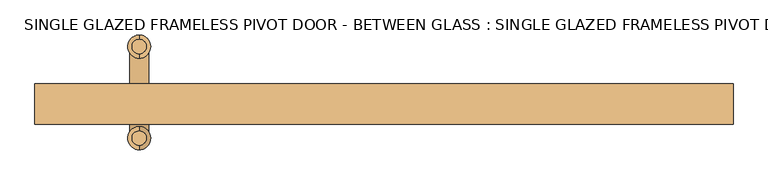
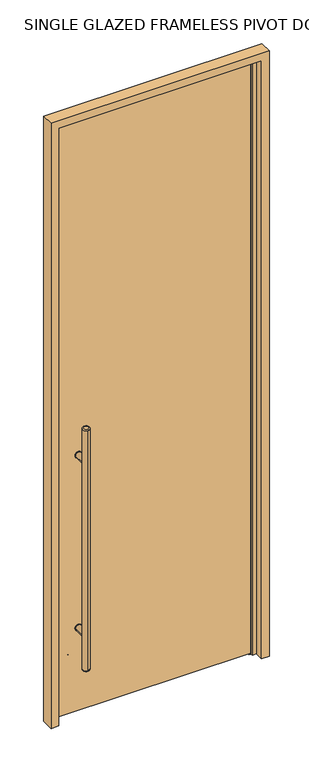
"""IFC4 building model written with IfcOpenShell, lengths in millimetres: door geometry, SINGLE GLAZED FRAMELESS PIVOT DOOR - BETWEEN GLASS : SINGLE GLAZED FRAMELESS PIVOT DOOR - BETWEEN GLASS."""

from ifc_helpers import new_model, si_unit, point, frame, frame_2d, origin, place, context, project, spatial, polyline, circle_curve, ellipse_curve, trimmed, segment, composite_curve, outline, extrude, faceted_brep, source, transform, mapped, element, save
from ifc_brep_helpers import plane_surface, cylinder_surface, revolved_surface, advanced_brep


def single_glazed_frameless_pivot_door_between_glass_single_1820829b(model_context):
    return source(origin(), model_context, "Body", "SolidModel", [
        extrude(outline(composite_curve([segment(trimmed(circle_curve(frame_2d((428.625, -365.125)), 15.875), [point((428.625, -381.0))], [point((428.625, -349.25))], False, "CARTESIAN"), True, "CONTINUOUS"), segment(trimmed(circle_curve(frame_2d((428.625, -365.125)), 15.875), [point((428.625, -349.25))], [point((428.625, -381.0))], False, "CARTESIAN"), True, "CONTINUOUS")], self_intersect=False)), frame((0.0, 0.0, 0.0), z_axis=(0.0, 1.0, 0.0), x_axis=(0.0, 0.0, 1.0)), (0.0, 0.0, 1.0), 3.175),
        extrude(outline(composite_curve([segment(trimmed(circle_curve(frame_2d((1298.575, -365.125)), 15.875), [point((1298.575, -349.25))], [point((1298.575, -381.0))], False, "CARTESIAN"), True, "CONTINUOUS"), segment(trimmed(circle_curve(frame_2d((1298.575, -365.125)), 15.875), [point((1298.575, -381.0))], [point((1298.575, -349.25))], False, "CARTESIAN"), True, "CONTINUOUS")], self_intersect=False)), frame((0.0, 0.0, 0.0), z_axis=(0.0, 1.0, 0.0), x_axis=(0.0, 0.0, 1.0)), (0.0, 0.0, 1.0), 3.175),
        extrude(outline(composite_curve([segment(trimmed(circle_curve(frame_2d((428.625, -365.125)), 15.875), [point((428.625, -381.0))], [point((428.625, -349.25))], False, "CARTESIAN"), True, "CONTINUOUS"), segment(trimmed(circle_curve(frame_2d((428.625, -365.125)), 15.875), [point((428.625, -349.25))], [point((428.625, -381.0))], False, "CARTESIAN"), True, "CONTINUOUS")], self_intersect=False)), frame((0.0, -9.525, 0.0), z_axis=(0.0, 1.0, 0.0), x_axis=(0.0, 0.0, 1.0)), (0.0, 0.0, 1.0), 3.175),
        extrude(outline(composite_curve([segment(trimmed(circle_curve(frame_2d((1298.575, -365.125)), 15.875), [point((1298.575, -381.0))], [point((1298.575, -349.25))], False, "CARTESIAN"), True, "CONTINUOUS"), segment(trimmed(circle_curve(frame_2d((1298.575, -365.125)), 15.875), [point((1298.575, -349.25))], [point((1298.575, -381.0))], False, "CARTESIAN"), True, "CONTINUOUS")], self_intersect=False)), frame((0.0, -9.525, 0.0), z_axis=(0.0, 1.0, 0.0), x_axis=(0.0, 0.0, 1.0)), (0.0, 0.0, 1.0), 3.175),
        extrude(outline(composite_curve([segment(trimmed(circle_curve(frame_2d((428.625, -365.125)), 14.2875), [point((428.625, -350.8375))], [point((428.625, -379.4125))], False, "CARTESIAN"), True, "CONTINUOUS"), segment(trimmed(circle_curve(frame_2d((428.625, -365.125)), 14.2875), [point((428.625, -379.4125))], [point((428.625, -350.8375))], False, "CARTESIAN"), True, "CONTINUOUS")], self_intersect=False)), frame((0.0, -71.4375, 0.0), z_axis=(0.0, 1.0, 0.0), x_axis=(0.0, 0.0, 1.0)), (0.0, 0.0, 1.0), 65.0875),
        extrude(outline(composite_curve([segment(trimmed(circle_curve(frame_2d((1298.575, -365.125)), 14.2875), [point((1298.575, -350.8375))], [point((1298.575, -379.4125))], False, "CARTESIAN"), True, "CONTINUOUS"), segment(trimmed(circle_curve(frame_2d((1298.575, -365.125)), 14.2875), [point((1298.575, -379.4125))], [point((1298.575, -350.8375))], False, "CARTESIAN"), True, "CONTINUOUS")], self_intersect=False)), frame((0.0, -71.4375, 0.0), z_axis=(0.0, 1.0, 0.0), x_axis=(0.0, 0.0, 1.0)), (0.0, 0.0, 1.0), 65.0875),
        advanced_brep(
        [(-365.125, 54.2925, 1473.2), (-365.125, 75.8825, 1473.2), (-365.125, 75.8825, 254.0), (-365.125, 54.2925, 254.0), (-365.125, 82.2325, 260.35), (-365.125, 82.2325, 1466.85), (-365.125, 47.9425, 1466.85), (-365.125, 47.9425, 260.35)],
        [
            (0, 1, circle_curve(frame((-365.125, 65.0875, 1473.2), z_axis=(0.0, 0.0, 1.0), x_axis=(0.0, -1.0, 0.0)), 10.795)),
            (1, 0, circle_curve(frame((-365.125, 65.0875, 1473.2), z_axis=(0.0, 0.0, 1.0), x_axis=(0.0, -1.0, 0.0)), 10.795)),
            (2, 3, circle_curve(frame((-365.125, 65.0875, 254.0), z_axis=(0.0, 0.0, -1.0), x_axis=(0.0, -1.0, 0.0)), 10.795)),
            (3, 2, circle_curve(frame((-365.125, 65.0875, 254.0), z_axis=(0.0, 0.0, -1.0), x_axis=(0.0, -1.0, 0.0)), 10.795)),
            (4, 5),
            (5, 6, circle_curve(frame((-365.125, 65.0875, 1466.85), z_axis=(0.0, 0.0, -1.0), x_axis=(0.0, -1.0, 0.0)), 17.145)),
            (6, 7),
            (7, 4, circle_curve(frame((-365.125, 65.0875, 260.35), z_axis=(0.0, 0.0, 1.0), x_axis=(0.0, -1.0, 0.0)), 17.145)),
            (6, 5, circle_curve(frame((-365.125, 65.0875, 1466.85), z_axis=(0.0, 0.0, -1.0), x_axis=(0.0, -1.0, 0.0)), 17.145)),
            (4, 7, circle_curve(frame((-365.125, 65.0875, 260.35), z_axis=(0.0, 0.0, 1.0), x_axis=(0.0, -1.0, 0.0)), 17.145)),
            (3, 7, circle_curve(frame((-365.125, 54.2925, 260.35), z_axis=(-1.0, 0.0, 0.0), x_axis=(0.0, -1.0, 0.0)), 6.35)),
            (4, 2, circle_curve(frame((-365.125, 75.8825, 260.35), z_axis=(-1.0, 0.0, 0.0), x_axis=(0.0, 1.0, 0.0)), 6.35)),
            (6, 0, circle_curve(frame((-365.125, 54.2925, 1466.85), z_axis=(-1.0, 0.0, 0.0), x_axis=(0.0, -1.0, 0.0)), 6.35)),
            (1, 5, circle_curve(frame((-365.125, 75.8825, 1466.85), z_axis=(-1.0, 0.0, 0.0), x_axis=(0.0, 1.0, 0.0)), 6.35)),
        ],
        [
            plane_surface(frame((-365.125, -88.5825, 1473.2), z_axis=(0.0, 0.0, 1.0), x_axis=(-1.0, 0.0, 0.0))),
            plane_surface(frame((-365.125, -88.5825, 254.0), z_axis=(0.0, 0.0, -1.0), x_axis=(1.0, 0.0, 0.0))),
            cylinder_surface(frame((-365.125, 65.0875, 254.0), z_axis=(0.0, 0.0, 1.0), x_axis=(0.0, -1.0, 0.0)), 17.145),
            revolved_surface(trimmed(ellipse_curve(frame((-365.125, 54.2925, 260.35), z_axis=(-1.0, 0.0, 0.0), x_axis=(0.0, -1.0, 0.0)), 6.35, 6.35), [point((-365.125, 54.2925, 254.0))], [point((-365.125, 47.9425, 260.35))], True, "CARTESIAN"), (-365.125, 65.0875, 2082.8), (0.0, 0.0, 1.0)),
            revolved_surface(trimmed(ellipse_curve(frame((-365.125, 54.2925, 1466.85), z_axis=(-1.0, 0.0, 0.0), x_axis=(0.0, -1.0, 0.0)), 6.35, 6.35), [point((-365.125, 47.9425, 1466.85))], [point((-365.125, 54.2925, 1473.2))], True, "CARTESIAN"), (-365.125, 65.0875, -355.6), (0.0, 0.0, 1.0)),
        ],
        [
            (0, [[1, 2]]),
            (1, [[3, 4]]),
            (2, [[5, 6, 7, 8]]),
            (2, [[-7, 9, -5, 10]]),
            (3, [[-4, 11, -10, 12]]),
            (3, [[-8, -11, -3, -12]]),
            (4, [[-9, 13, -2, 14]]),
            (4, [[-1, -13, -6, -14]]),
        ],
    ),
        advanced_brep(
        [(-365.125, -82.2325, 1473.2), (-365.125, -60.6425, 1473.2), (-365.125, -60.6425, 254.0), (-365.125, -82.2325, 254.0), (-365.125, -54.2925, 260.35), (-365.125, -54.2925, 1466.85), (-365.125, -88.5825, 1466.85), (-365.125, -88.5825, 260.35)],
        [
            (0, 1, circle_curve(frame((-365.125, -71.4375, 1473.2), z_axis=(0.0, 0.0, 1.0), x_axis=(0.0, 1.0, 0.0)), 10.795)),
            (1, 0, circle_curve(frame((-365.125, -71.4375, 1473.2), z_axis=(0.0, 0.0, 1.0), x_axis=(0.0, 1.0, 0.0)), 10.795)),
            (2, 3, circle_curve(frame((-365.125, -71.4375, 254.0), z_axis=(0.0, 0.0, -1.0), x_axis=(0.0, 1.0, 0.0)), 10.795)),
            (3, 2, circle_curve(frame((-365.125, -71.4375, 254.0), z_axis=(0.0, 0.0, -1.0), x_axis=(0.0, 1.0, 0.0)), 10.795)),
            (4, 5),
            (5, 6, circle_curve(frame((-365.125, -71.4375, 1466.85), z_axis=(0.0, 0.0, -1.0), x_axis=(0.0, -1.0, 0.0)), 17.145)),
            (6, 7),
            (7, 4, circle_curve(frame((-365.125, -71.4375, 260.35), z_axis=(0.0, 0.0, 1.0), x_axis=(0.0, -1.0, 0.0)), 17.145)),
            (6, 5, circle_curve(frame((-365.125, -71.4375, 1466.85), z_axis=(0.0, 0.0, -1.0), x_axis=(0.0, -1.0, 0.0)), 17.145)),
            (4, 7, circle_curve(frame((-365.125, -71.4375, 260.35), z_axis=(0.0, 0.0, 1.0), x_axis=(0.0, -1.0, 0.0)), 17.145)),
            (4, 2, circle_curve(frame((-365.125, -60.6425, 260.35), z_axis=(-1.0, 0.0, 0.0), x_axis=(0.0, 1.0, 0.0)), 6.35)),
            (3, 7, circle_curve(frame((-365.125, -82.2325, 260.35), z_axis=(-1.0, 0.0, 0.0), x_axis=(0.0, -1.0, 0.0)), 6.35)),
            (1, 5, circle_curve(frame((-365.125, -60.6425, 1466.85), z_axis=(-1.0, 0.0, 0.0), x_axis=(0.0, 1.0, 0.0)), 6.35)),
            (6, 0, circle_curve(frame((-365.125, -82.2325, 1466.85), z_axis=(-1.0, 0.0, 0.0), x_axis=(0.0, -1.0, 0.0)), 6.35)),
        ],
        [
            plane_surface(frame((-365.125, -88.5825, 1473.2), z_axis=(0.0, 0.0, 1.0), x_axis=(-1.0, 0.0, 0.0))),
            plane_surface(frame((-365.125, -88.5825, 254.0), z_axis=(0.0, 0.0, -1.0), x_axis=(1.0, 0.0, 0.0))),
            cylinder_surface(frame((-365.125, -71.4375, 254.0), z_axis=(0.0, 0.0, 1.0), x_axis=(0.0, -1.0, 0.0)), 17.145),
            revolved_surface(trimmed(ellipse_curve(frame((-365.125, -60.6425, 260.35), z_axis=(-1.0, 0.0, 0.0), x_axis=(0.0, 1.0, 0.0)), 6.35, 6.35), [point((-365.125, -54.2925, 260.35))], [point((-365.125, -60.6425, 254.0))], True, "CARTESIAN"), (-365.125, -71.4375, 2082.8), (0.0, 0.0, -1.0)),
            revolved_surface(trimmed(ellipse_curve(frame((-365.125, -60.6425, 1466.85), z_axis=(-1.0, 0.0, 0.0), x_axis=(0.0, 1.0, 0.0)), 6.35, 6.35), [point((-365.125, -60.6425, 1473.2))], [point((-365.125, -54.2925, 1466.85))], True, "CARTESIAN"), (-365.125, -71.4375, -355.6), (0.0, 0.0, -1.0)),
        ],
        [
            (0, [[1, 2]]),
            (1, [[3, 4]]),
            (2, [[5, 6, 7, 8]]),
            (2, [[-7, 9, -5, 10]]),
            (3, [[-10, 11, -4, 12]]),
            (3, [[-3, -11, -8, -12]]),
            (4, [[-2, 13, -9, 14]]),
            (4, [[-6, -13, -1, -14]]),
        ],
    ),
        extrude(outline(composite_curve([segment(trimmed(circle_curve(frame_2d((428.625, -365.125)), 14.2875), [point((428.625, -350.8375))], [point((428.625, -379.4125))], False, "CARTESIAN"), True, "CONTINUOUS"), segment(trimmed(circle_curve(frame_2d((428.625, -365.125)), 14.2875), [point((428.625, -379.4125))], [point((428.625, -350.8375))], False, "CARTESIAN"), True, "CONTINUOUS")], self_intersect=False)), frame((0.0, 0.0, 0.0), z_axis=(0.0, 1.0, 0.0), x_axis=(0.0, 0.0, 1.0)), (0.0, 0.0, 1.0), 65.0875),
        extrude(outline(composite_curve([segment(trimmed(circle_curve(frame_2d((1298.575, -365.125)), 14.2875), [point((1298.575, -350.8375))], [point((1298.575, -379.4125))], False, "CARTESIAN"), True, "CONTINUOUS"), segment(trimmed(circle_curve(frame_2d((1298.575, -365.125)), 14.2875), [point((1298.575, -379.4125))], [point((1298.575, -350.8375))], False, "CARTESIAN"), True, "CONTINUOUS")], self_intersect=False)), frame((0.0, 0.0, 0.0), z_axis=(0.0, 1.0, 0.0), x_axis=(0.0, 0.0, 1.0)), (0.0, 0.0, 1.0), 65.0875),
        extrude(outline(polyline([(457.2, 0.0), (457.2, -6.35), (-457.2, -6.35), (-457.2, 0.0), (457.2, 0.0)])), frame((0.0, 0.0, 9.525), z_axis=(0.0, 0.0, 1.0), x_axis=(1.0, 0.0, 0.0)), (0.0, 0.0, 1.0), 2974.975),
        faceted_brep([(520.7, 9.525, 0.0), (520.7, -50.8, 0.0), (483.497187, -50.8, 0.0), (483.497187, -9.525, 0.0), (462.9999983, -9.525, 0.0), (462.9999983, 0.0, 0.0), (454.025, 0.0, 0.0), (454.025, 9.525, 0.0), (454.025, 9.525, 2981.325), (-454.025, 9.525, 2981.325), (-454.025, 9.525, 0.0), (-520.7, 9.525, 0.0), (-520.7, 9.525, 3048.0), (520.7, 9.525, 3048.0), (454.025, 0.0, 2981.325), (462.9999983, 0.0, 2990.2999983), (-462.9999983, 0.0, 2990.2999983), (-462.9999983, 0.0, 0.0), (-454.025, 0.0, 0.0), (-454.025, 0.0, 2981.325), (462.9999983, -9.525, 2990.2999983), (483.497187, -9.525, 3010.797187), (-483.497187, -9.525, 3010.797187), (-483.497187, -9.525, 0.0), (-462.9999983, -9.525, 0.0), (-462.9999983, -9.525, 2990.2999983), (483.497187, -50.8, 3010.797187), (520.7, -50.8, 3048.0), (-520.7, -50.8, 3048.0), (-520.7, -50.8, 0.0), (-483.497187, -50.8, 0.0), (-483.497187, -50.8, 3010.797187)], [[[0, 1, 2, 3, 4, 5, 6, 7]], [[7, 8, 9, 10, 11, 12, 13, 0]], [[6, 14, 8, 7]], [[5, 15, 16, 17, 18, 19, 14, 6]], [[4, 20, 15, 5]], [[3, 21, 22, 23, 24, 25, 20, 4]], [[2, 26, 21, 3]], [[1, 27, 28, 29, 30, 31, 26, 2]], [[0, 13, 27, 1]], [[11, 10, 18, 17, 24, 23, 30, 29]], [[12, 11, 29, 28]], [[31, 30, 23, 22]], [[25, 24, 17, 16]], [[19, 18, 10, 9]], [[14, 19, 9, 8]], [[20, 25, 16, 15]], [[26, 31, 22, 21]], [[13, 12, 28, 27]]]),
    ])


if __name__ == "__main__":
    model = new_model("IFC4")
    model_context = context("Model", 3, world=origin())
    ifc_project = project(units=[si_unit("LENGTHUNIT", "METRE", prefix="MILLI")], contexts=[model_context])
    site = spatial("IfcSite", under=ifc_project)
    building = spatial("IfcBuilding", under=site)
    placement = place(None, origin())
    single_glazed_frameless_pivot_door_between_glass_single_shape = single_glazed_frameless_pivot_door_between_glass_single_1820829b(model_context)
    element("IfcDoor", 1, ObjectType="SINGLE GLAZED FRAMELESS PIVOT DOOR - BETWEEN GLASS : SINGLE GLAZED FRAMELESS PIVOT DOOR - BETWEEN GLASS", at=placement, inside=building, context=model_context, shape_type="MappedRepresentation", body=[
        mapped(single_glazed_frameless_pivot_door_between_glass_single_shape, transform((0.0, 0.0, 0.0), x_axis=(1.0, 0.0, 0.0), y_axis=(0.0, 1.0, 0.0), z_axis=(0.0, 0.0, 1.0))),
    ])
    save(model, "model.ifc")
